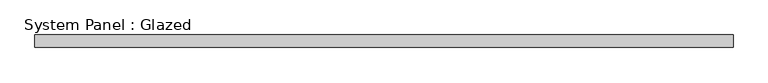
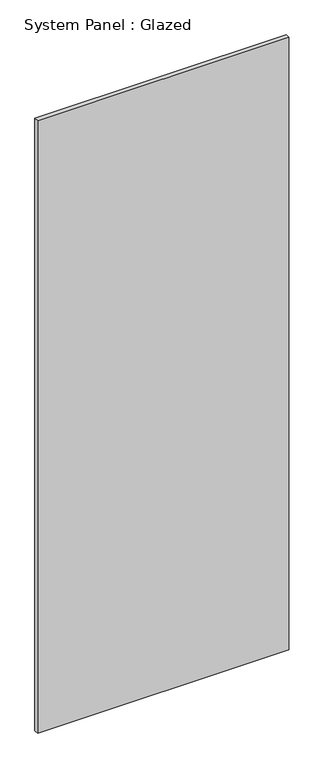
"""IFC4 building model written with IfcOpenShell, lengths in millimetres: plate geometry, System Panel : Glazed."""

from ifc_helpers import new_model, si_unit, origin, origin_with_axes, place, context, project, spatial, polyline, outline, extrude, source, transform, mapped, element, save


def system_panel_glazed_4c2eb7e2(model_context):
    return source(origin(), model_context, "Body", "SweptSolid", [
        extrude(outline(polyline([(709.3763619, 19.05), (-709.3763619, 19.05), (-709.3763619, 44.45), (709.3763619, 44.45), (709.3763619, 19.05)])), origin_with_axes(), (0.0, 0.0, 1.0), 3657.6),
    ])


if __name__ == "__main__":
    model = new_model("IFC4")
    model_context = context("Model", 3, world=origin())
    ifc_project = project(units=[si_unit("LENGTHUNIT", "METRE", prefix="MILLI")], contexts=[model_context])
    site = spatial("IfcSite", under=ifc_project)
    building = spatial("IfcBuilding", under=site)
    placement = place(None, origin())
    system_panel_glazed_shape = system_panel_glazed_4c2eb7e2(model_context)
    element("IfcPlate", 1, ObjectType="System Panel : Glazed", at=placement, inside=building, context=model_context, shape_type="MappedRepresentation", body=[
        mapped(system_panel_glazed_shape, transform((0.0, 0.0, 0.0), x_axis=(1.0, 0.0, 0.0), y_axis=(0.0, 1.0, 0.0), z_axis=(0.0, 0.0, 1.0))),
    ])
    save(model, "model.ifc")
